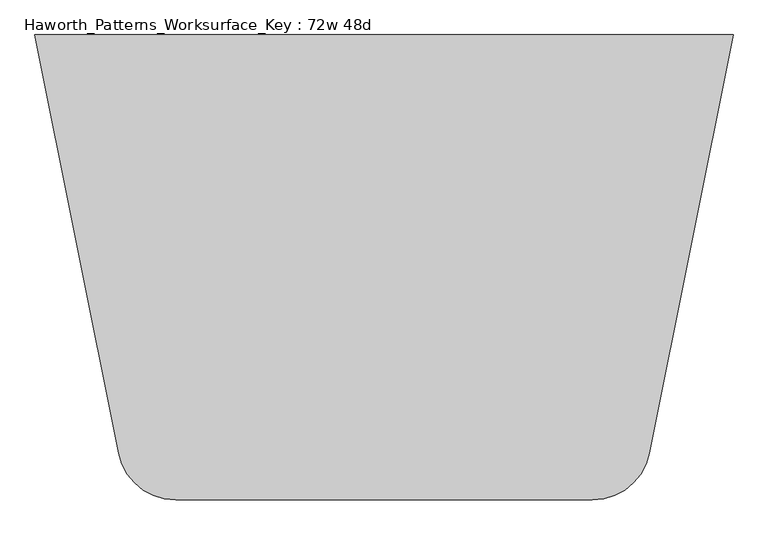
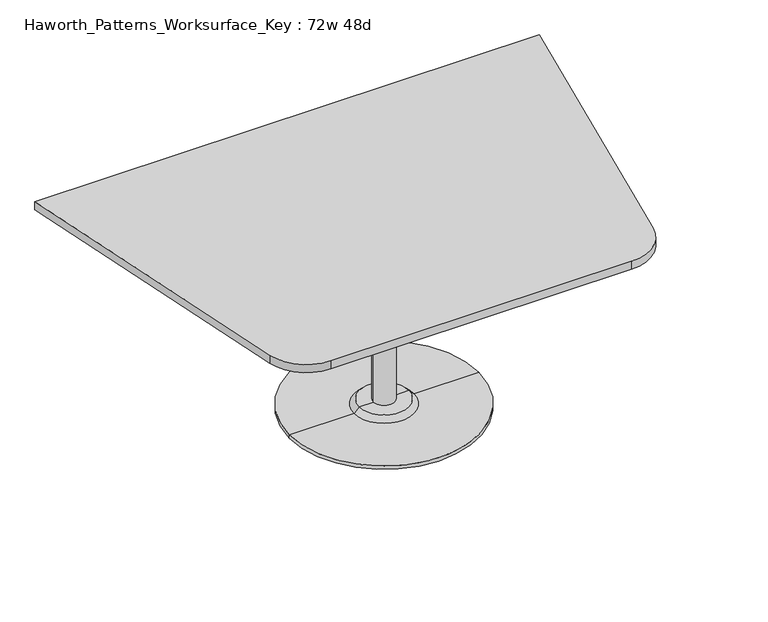
"""IFC4 building model written with IfcOpenShell, lengths in millimetres: furniture geometry, Haworth_Patterns_Worksurface_Key : 72w 48d."""

from ifc_helpers import new_model, si_unit, point, frame, frame_2d, origin, place, context, project, spatial, polyline, circle_curve, trimmed, segment, composite_curve, outline, extrude, source, transform, mapped, element, save
from ifc_brep_helpers import plane_surface, cylinder_surface, revolved_surface, advanced_brep


def haworth_patterns_worksurface_key_72w_48d_f2156930(model_context):
    return source(origin(), model_context, "Body", "SolidModel", [
        advanced_brep(
        [(38.1, 139.7, 706.4375), (-38.1, 139.7, 706.4375), (0.0, 139.7, 706.4375), (38.1, 139.7, 31.75), (-38.1, 139.7, 31.75), (89.723978, 139.7, 31.75), (-89.723978, 139.7, 31.75), (342.9, 139.7, 0.0), (-342.9, 139.7, 0.0), (-342.9, 139.7, 12.7), (342.9, 139.7, 12.7), (0.0, 139.7, 0.0), (108.773978, 139.7, 12.7), (-108.773978, 139.7, 12.7)],
        [
            (0, 1, circle_curve(frame((0.0, 139.7, 706.4375), z_axis=(0.0, 0.0, 1.0), x_axis=(-1.0, 0.0, 0.0)), 38.1)),
            (1, 2),
            (2, 0),
            (1, 0, circle_curve(frame((0.0, 139.7, 706.4375), z_axis=(0.0, 0.0, 1.0), x_axis=(-1.0, 0.0, 0.0)), 38.1)),
            (3, 4, circle_curve(frame((0.0, 139.7, 31.75), z_axis=(0.0, 0.0, 1.0), x_axis=(-1.0, 0.0, 0.0)), 38.1)),
            (4, 1),
            (0, 3),
            (4, 3, circle_curve(frame((0.0, 139.7, 31.75), z_axis=(0.0, 0.0, 1.0), x_axis=(-1.0, 0.0, 0.0)), 38.1)),
            (5, 6, circle_curve(frame((0.0, 139.7, 31.75), z_axis=(0.0, 0.0, 1.0), x_axis=(-1.0, 0.0, 0.0)), 89.723978)),
            (6, 4),
            (3, 5),
            (6, 5, circle_curve(frame((0.0, 139.7, 31.75), z_axis=(0.0, 0.0, 1.0), x_axis=(-1.0, 0.0, 0.0)), 89.723978)),
            (7, 8, circle_curve(frame((0.0, 139.7, 0.0), z_axis=(0.0, 0.0, 1.0), x_axis=(-1.0, 0.0, 0.0)), 342.9)),
            (8, 9),
            (9, 10, circle_curve(frame((0.0, 139.7, 12.7), z_axis=(0.0, 0.0, -1.0), x_axis=(-1.0, 0.0, 0.0)), 342.9)),
            (10, 7),
            (8, 7, circle_curve(frame((0.0, 139.7, 0.0), z_axis=(0.0, 0.0, 1.0), x_axis=(-1.0, 0.0, 0.0)), 342.9)),
            (10, 9, circle_curve(frame((0.0, 139.7, 12.7), z_axis=(0.0, 0.0, -1.0), x_axis=(-1.0, 0.0, 0.0)), 342.9)),
            (11, 8),
            (7, 11),
            (12, 13, circle_curve(frame((0.0, 139.7, 12.7), z_axis=(0.0, 0.0, 1.0), x_axis=(-1.0, 0.0, 0.0)), 108.773978)),
            (13, 6),
            (5, 12),
            (13, 12, circle_curve(frame((0.0, 139.7, 12.7), z_axis=(0.0, 0.0, 1.0), x_axis=(-1.0, 0.0, 0.0)), 108.773978)),
            (9, 13),
            (12, 10),
        ],
        [
            plane_surface(frame((0.0, 139.7, 706.4375), z_axis=(0.0, 0.0, 1.0), x_axis=(-1.0, 0.0, 0.0))),
            cylinder_surface(frame((0.0, 139.7, 889.623257), z_axis=(0.0, 0.0, -1.0), x_axis=(-1.0, 0.0, 0.0)), 38.1),
            plane_surface(frame((0.0, 139.7, 31.75), z_axis=(0.0, 0.0, 1.0), x_axis=(-1.0, 0.0, 0.0))),
            cylinder_surface(frame((0.0, 139.7, 889.623257), z_axis=(0.0, 0.0, -1.0), x_axis=(-1.0, 0.0, 0.0)), 342.9),
            plane_surface(frame((0.0, 139.7, 0.0), z_axis=(0.0, 0.0, -1.0), x_axis=(-1.0, 0.0, 0.0))),
            revolved_surface(polyline([(-89.723978, 139.7, 31.75), (-108.773978, 139.7, 12.7)]), (0.0, 139.7, 889.623257), (0.0, 0.0, -1.0)),
            plane_surface(frame((0.0, 139.7, 12.7), z_axis=(0.0, 0.0, 1.0), x_axis=(-1.0, 0.0, 0.0))),
        ],
        [
            (0, [[1, 2, 3]]),
            (0, [[4, -3, -2]]),
            (1, [[5, 6, -1, 7]]),
            (1, [[8, -7, -4, -6]]),
            (2, [[9, 10, -5, 11]]),
            (2, [[12, -11, -8, -10]]),
            (3, [[13, 14, 15, 16]]),
            (3, [[17, -16, 18, -14]]),
            (4, [[19, -13, 20]]),
            (4, [[-20, -17, -19]]),
            (5, [[21, 22, -9, 23]]),
            (5, [[24, -23, -12, -22]]),
            (6, [[-15, 25, -21, 26]]),
            (6, [[-18, -26, -24, -25]]),
        ],
    ),
        extrude(outline(composite_curve([segment(polyline([(914.4, 749.3), (695.0623802, -347.388099)]), True, "CONTINUOUS"), segment(trimmed(circle_curve(frame_2d((545.6218852, -317.5)), 152.4), [point((695.0623802, -347.388099))], [point((545.6218852, -469.9))], False, "CARTESIAN"), True, "CONTINUOUS"), segment(polyline([(545.6218852, -469.9), (-545.6218852, -469.9)]), True, "CONTINUOUS"), segment(trimmed(circle_curve(frame_2d((-545.6218852, -317.5)), 152.4), [point((-545.6218852, -469.9))], [point((-695.0623802, -347.388099))], False, "CARTESIAN"), True, "CONTINUOUS"), segment(polyline([(-695.0623802, -347.388099), (-914.4, 749.3), (914.4, 749.3)]), True, "CONTINUOUS")], self_intersect=False)), frame((0.0, 0.0, 706.4375), z_axis=(0.0, 0.0, 1.0), x_axis=(1.0, 0.0, 0.0)), (0.0, 0.0, 1.0), 30.1625),
    ])


if __name__ == "__main__":
    model = new_model("IFC4")
    model_context = context("Model", 3, world=origin())
    ifc_project = project(units=[si_unit("LENGTHUNIT", "METRE", prefix="MILLI")], contexts=[model_context])
    site = spatial("IfcSite", under=ifc_project)
    building = spatial("IfcBuilding", under=site)
    placement = place(None, origin())
    haworth_patterns_worksurface_key_72w_48d_shape = haworth_patterns_worksurface_key_72w_48d_f2156930(model_context)
    element("IfcFurniture", 1, ObjectType="Haworth_Patterns_Worksurface_Key : 72w 48d", at=placement, inside=building, context=model_context, shape_type="MappedRepresentation", body=[
        mapped(haworth_patterns_worksurface_key_72w_48d_shape, transform((0.0, 0.0, 0.0), x_axis=(1.0, 0.0, 0.0), y_axis=(0.0, 1.0, 0.0), z_axis=(0.0, 0.0, 1.0))),
    ])
    save(model, "model.ifc")
